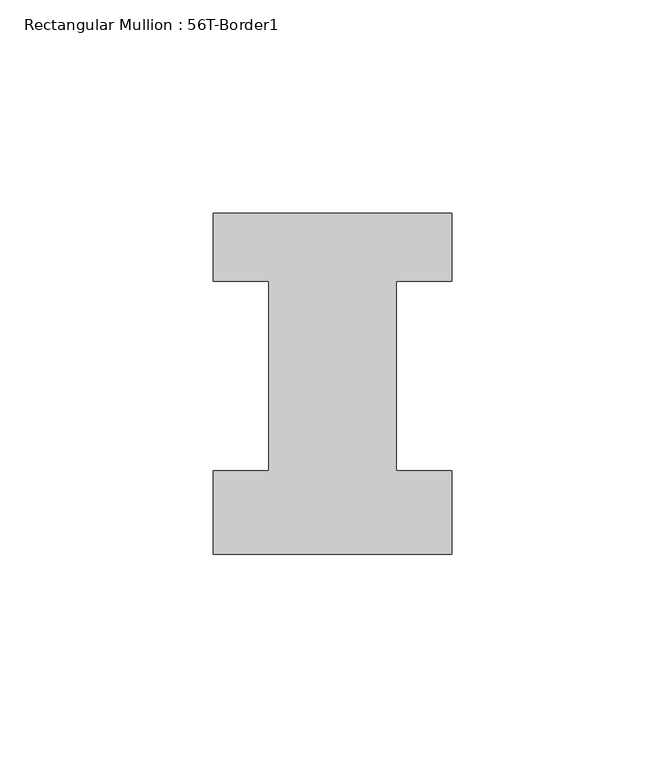
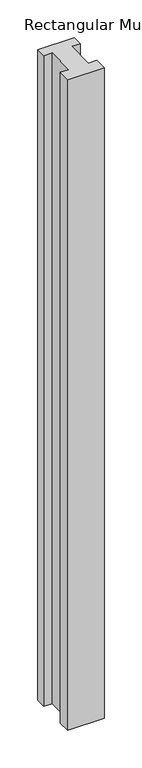
"""IFC4 building model written with IfcOpenShell, lengths in millimetres: member geometry, Rectangular Mullion : 56T-Border1."""

from ifc_helpers import new_model, si_unit, frame, origin, place, context, project, spatial, polyline, outline, extrude, source, transform, mapped, element, save


def rectangular_mullion_56t_border1_77ac8593(model_context):
    return source(origin(), model_context, "Body", "SweptSolid", [
        extrude(outline(polyline([(-56.0, -20.0), (-56.0, -0.5), (-43.0, -0.5), (-43.0, 44.0), (-56.0, 44.0), (-56.0, 60.0), (0.0, 60.0), (0.0, 44.0), (-13.0, 44.0), (-13.0, -0.5), (0.0, -0.5), (0.0, -20.0), (-56.0, -20.0)])), frame((0.0, 0.0, -1056.0), z_axis=(0.0, 0.0, 1.0), x_axis=(1.0, 0.0, 0.0)), (0.0, 0.0, 1.0), 1056.0),
    ])


if __name__ == "__main__":
    model = new_model("IFC4")
    model_context = context("Model", 3, world=origin())
    ifc_project = project(units=[si_unit("LENGTHUNIT", "METRE", prefix="MILLI")], contexts=[model_context])
    site = spatial("IfcSite", under=ifc_project)
    building = spatial("IfcBuilding", under=site)
    placement = place(None, origin())
    rectangular_mullion_56t_border1_shape = rectangular_mullion_56t_border1_77ac8593(model_context)
    element("IfcMember", 1, ObjectType="Rectangular Mullion : 56T-Border1", at=placement, inside=building, context=model_context, shape_type="MappedRepresentation", body=[
        mapped(rectangular_mullion_56t_border1_shape, transform((0.0, 0.0, 0.0), x_axis=(1.0, 0.0, 0.0), y_axis=(0.0, 1.0, 0.0), z_axis=(0.0, 0.0, 1.0))),
    ])
    save(model, "model.ifc")
